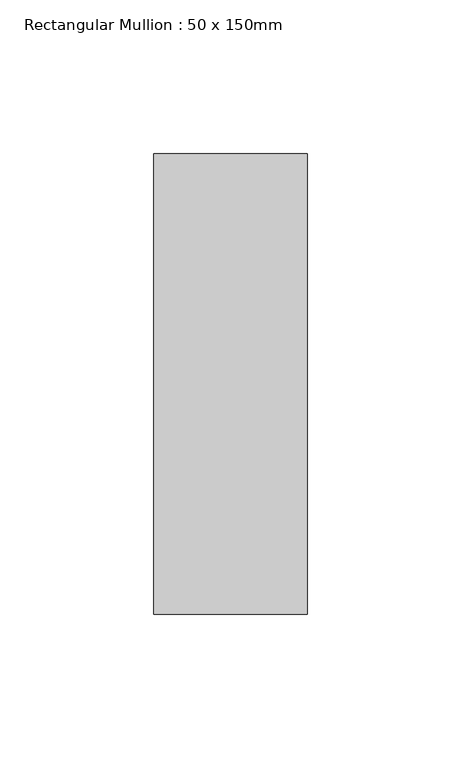
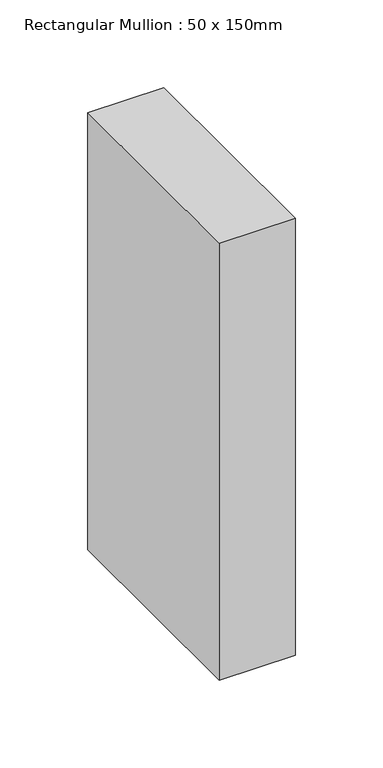
"""IFC4 building model written with IfcOpenShell, lengths in millimetres: member geometry, Rectangular Mullion : 50 x 150mm."""

from ifc_helpers import new_model, si_unit, frame, origin, place, context, project, spatial, polyline, outline, extrude, source, transform, mapped, element, save


def rectangular_mullion_50_x_150mm_b092d3c6(model_context):
    return source(origin(), model_context, "Body", "SweptSolid", [
        extrude(outline(polyline([(0.0, 75.0), (0.0, -75.0), (-50.0, -75.0), (-50.0, 75.0), (0.0, 75.0)])), frame((0.0, 0.0, -304.2459602), z_axis=(0.0, 0.0, 1.0), x_axis=(1.0, 0.0, 0.0)), (0.0, 0.0, 1.0), 304.2459602),
    ])


if __name__ == "__main__":
    model = new_model("IFC4")
    model_context = context("Model", 3, world=origin())
    ifc_project = project(units=[si_unit("LENGTHUNIT", "METRE", prefix="MILLI")], contexts=[model_context])
    site = spatial("IfcSite", under=ifc_project)
    building = spatial("IfcBuilding", under=site)
    placement = place(None, origin())
    rectangular_mullion_50_x_150mm_shape = rectangular_mullion_50_x_150mm_b092d3c6(model_context)
    element("IfcMember", 1, ObjectType="Rectangular Mullion : 50 x 150mm", at=placement, inside=building, context=model_context, shape_type="MappedRepresentation", body=[
        mapped(rectangular_mullion_50_x_150mm_shape, transform((0.0, 0.0, 0.0), x_axis=(1.0, 0.0, 0.0), y_axis=(0.0, 1.0, 0.0), z_axis=(0.0, 0.0, 1.0))),
    ])
    save(model, "model.ifc")
